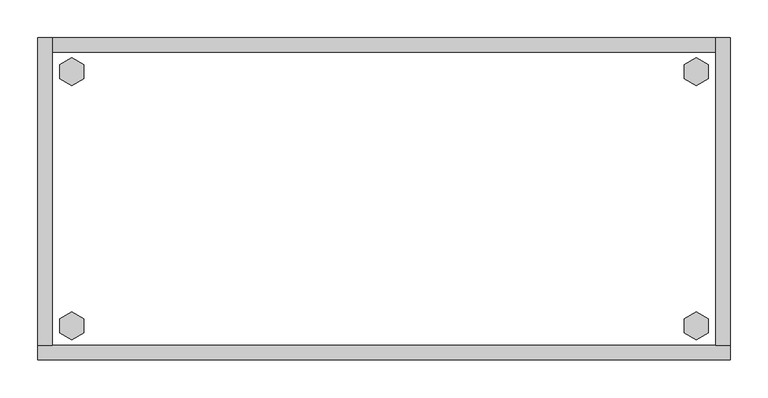
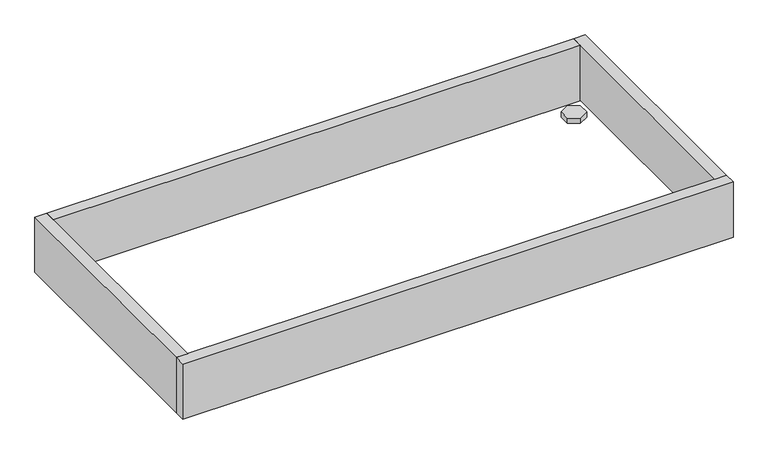
"""IFC4 building model written with IfcOpenShell, lengths in millimetres: furniture geometry."""

from ifc_helpers import new_model, si_unit, frame, origin, origin_with_axes, place, context, project, spatial, polyline, outline, extrude, source, transform, mapped, element, save


def furniture_71003cb1(model_context):
    return source(origin(), model_context, "Body", "SweptSolid", [
        extrude(outline(polyline([(853.7735422, -371.8179), (869.7214, -362.6104), (885.6692578, -371.8179), (885.6692578, -390.2329), (869.7214, -399.4404), (853.7735422, -390.2329), (853.7735422, -371.8179)])), origin_with_axes(), (0.0, 0.0, 1.0), 9.144),
        extrude(outline(polyline([(853.7735422, -35.4711), (869.7214, -26.2636), (885.6692578, -35.4711), (885.6692578, -53.8861), (869.7214, -63.0936), (853.7735422, -53.8861), (853.7735422, -35.4711)])), origin_with_axes(), (0.0, 0.0, 1.0), 9.144),
        extrude(outline(polyline([(28.7307422, -371.8179), (44.6786, -362.6104), (60.6264578, -371.8179), (60.6264578, -390.2329), (44.6786, -399.4404), (28.7307422, -390.2329), (28.7307422, -371.8179)])), origin_with_axes(), (0.0, 0.0, 1.0), 9.144),
        extrude(outline(polyline([(28.7307422, -35.4711), (44.6786, -26.2636), (60.6264578, -35.4711), (60.6264578, -53.8861), (44.6786, -63.0936), (28.7307422, -53.8861), (28.7307422, -35.4711)])), origin_with_axes(), (0.0, 0.0, 1.0), 9.144),
        extrude(outline(polyline([(19.304, 0.0), (19.304, -406.4), (0.0, -406.4), (0.0, 0.0), (19.304, 0.0)])), frame((0.0, 0.0, 4.699), z_axis=(0.0, 0.0, 1.0), x_axis=(1.0, 0.0, 0.0)), (0.0, 0.0, 1.0), 96.901),
        extrude(outline(polyline([(914.4, 0.0), (914.4, -406.4), (895.096, -406.4), (895.096, 0.0), (914.4, 0.0)])), frame((0.0, 0.0, 4.699), z_axis=(0.0, 0.0, 1.0), x_axis=(1.0, 0.0, 0.0)), (0.0, 0.0, 1.0), 96.901),
        extrude(outline(polyline([(895.096, -19.304), (19.304, -19.304), (19.304, 0.0), (895.096, 0.0), (895.096, -19.304)])), frame((0.0, 0.0, 4.699), z_axis=(0.0, 0.0, 1.0), x_axis=(1.0, 0.0, 0.0)), (0.0, 0.0, 1.0), 96.901),
        extrude(outline(polyline([(914.4, -406.4), (914.4, -425.704), (0.0, -425.704), (0.0, -406.4), (914.4, -406.4)])), frame((0.0, 0.0, 4.699), z_axis=(0.0, 0.0, 1.0), x_axis=(1.0, 0.0, 0.0)), (0.0, 0.0, 1.0), 96.901),
    ])


if __name__ == "__main__":
    model = new_model("IFC4")
    model_context = context("Model", 3, world=origin())
    ifc_project = project(units=[si_unit("LENGTHUNIT", "METRE", prefix="MILLI")], contexts=[model_context])
    site = spatial("IfcSite", under=ifc_project)
    building = spatial("IfcBuilding", under=site)
    placement = place(None, origin())
    furniture_shape = furniture_71003cb1(model_context)
    element("IfcFurniture", 1, at=placement, inside=building, context=model_context, shape_type="MappedRepresentation", body=[
        mapped(furniture_shape, transform((0.0, 0.0, 0.0), x_axis=(1.0, 0.0, 0.0), y_axis=(0.0, 1.0, 0.0), z_axis=(0.0, 0.0, 1.0))),
    ])
    save(model, "model.ifc")
